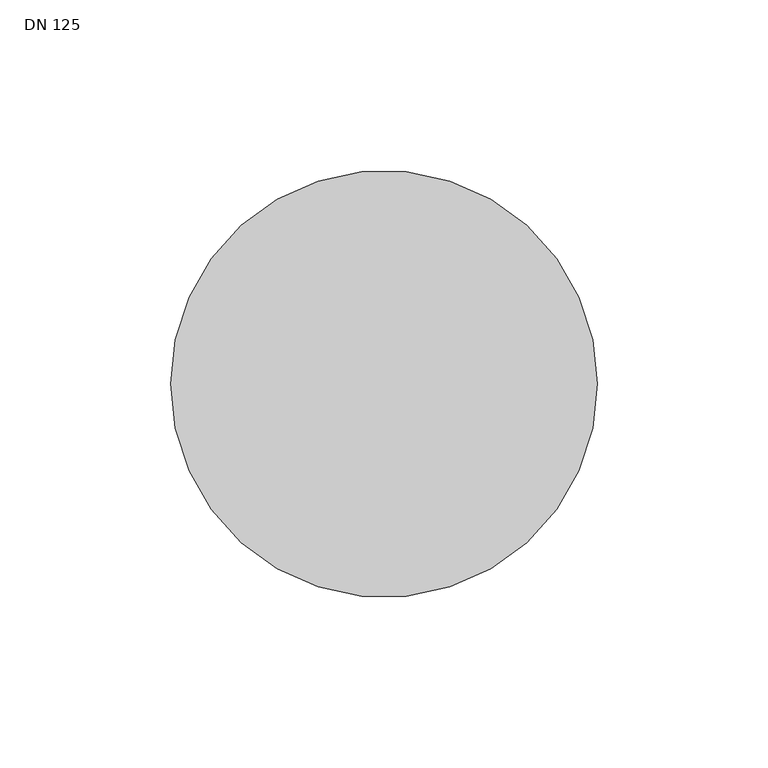
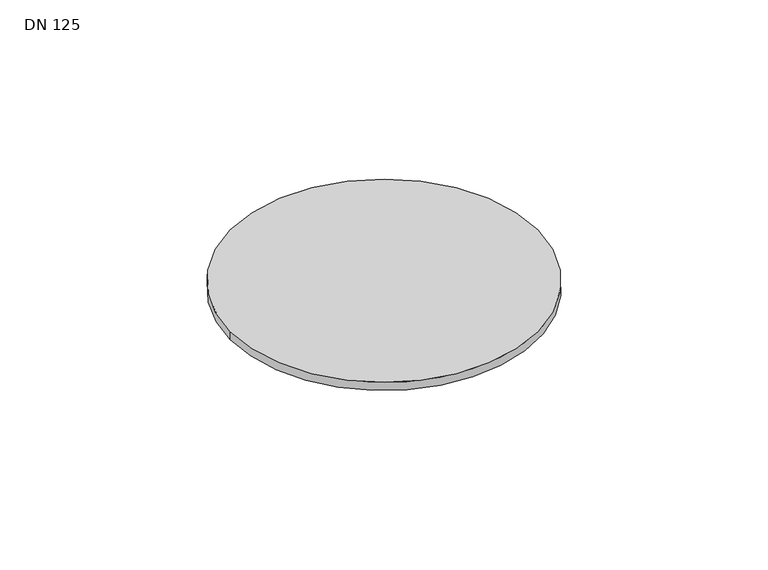
"""IFC4 building model written with IfcOpenShell, lengths in millimetres: proxy geometry, DN 125."""

from ifc_helpers import new_model, si_unit, point, frame, origin, origin_2d, place, context, project, spatial, circle_curve, trimmed, segment, composite_curve, outline, extrude, source, transform, mapped, element, save


def dn_125_bd01086d(model_context):
    return source(origin(), model_context, "Body", "SweptSolid", [
        extrude(outline(composite_curve([segment(trimmed(circle_curve(origin_2d(), 62.5), [point((-62.5, 0.0))], [point((62.5, 0.0))], False, "CARTESIAN"), True, "CONTINUOUS"), segment(trimmed(circle_curve(origin_2d(), 62.5), [point((62.5, 0.0))], [point((-62.5, 0.0))], False, "CARTESIAN"), True, "CONTINUOUS")], self_intersect=False)), frame((0.0, 0.0, -3.5), z_axis=(0.0, 0.0, 1.0), x_axis=(1.0, 0.0, 0.0)), (0.0, 0.0, 1.0), 3.5),
    ])


if __name__ == "__main__":
    model = new_model("IFC4")
    model_context = context("Model", 3, world=origin())
    ifc_project = project(units=[si_unit("LENGTHUNIT", "METRE", prefix="MILLI")], contexts=[model_context])
    site = spatial("IfcSite", under=ifc_project)
    building = spatial("IfcBuilding", under=site)
    placement = place(None, origin())
    dn_125_shape = dn_125_bd01086d(model_context)
    element("IfcBuildingElementProxy", 1, Name="DN 125", ObjectType="DN 125", at=placement, inside=building, context=model_context, shape_type="MappedRepresentation", body=[
        mapped(dn_125_shape, transform((0.0, 0.0, 0.0), x_axis=(1.0, 0.0, 0.0), y_axis=(0.0, 1.0, 0.0), z_axis=(0.0, 0.0, 1.0))),
    ])
    save(model, "model.ifc")
